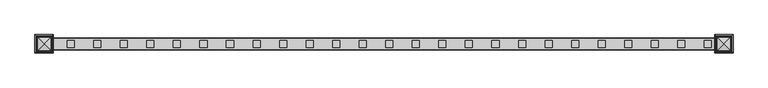
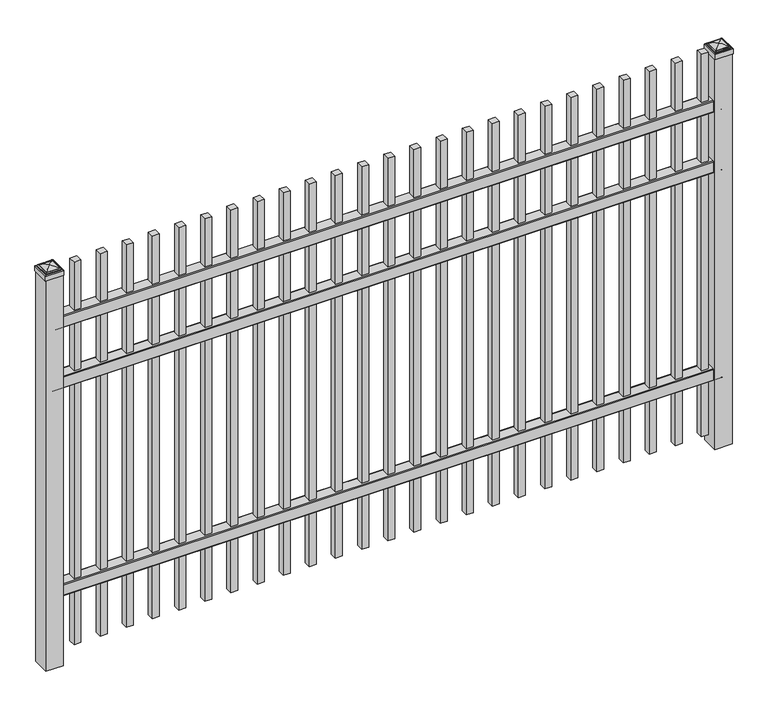
"""IFC4 building model written with IfcOpenShell, lengths in millimetres: railing geometry."""

from ifc_helpers import new_model, si_unit, point, frame, frame_2d, origin, origin_with_axes, place, context, project, spatial, polyline, circle_curve, ellipse_curve, trimmed, segment, composite_curve, outline, extrude, source, transform, mapped, element, save
from ifc_brep_helpers import plane_surface, cylinder_surface, advanced_brep


def railing_4748e7da(model_context):
    return source(origin(), model_context, "Body", "SolidModel", [
        extrude(outline(composite_curve([segment(polyline([(11873.9139761, 304.8), (11911.969541, 304.8)]), True, "CONTINUOUS"), segment(trimmed(circle_curve(frame_2d((11911.969541, 301.625)), 3.175), [point((11911.969541, 304.8))], [point((11915.144541, 301.625))], False, "CARTESIAN"), True, "CONTINUOUS"), segment(polyline([(11915.144541, 301.625), (11915.144541, 262.1439893)]), True, "CONTINUOUS"), segment(trimmed(circle_curve(frame_2d((11913.3505518, 262.1439893)), 1.7939893), [point((11915.144541, 262.1439893))], [point((11913.3505518, 260.35))], False, "CARTESIAN"), True, "CONTINUOUS"), segment(polyline([(11913.3505518, 260.35), (11910.7590713, 260.35)]), True, "CONTINUOUS"), segment(trimmed(circle_curve(frame_2d((11910.7590713, 262.1359375)), 1.7859375), [point((11910.7590713, 260.35))], [point((11908.9755813, 262.0424688))], False, "CARTESIAN"), True, "CONTINUOUS"), segment(polyline([(11908.9755813, 262.0424688), (11907.4025867, 292.0569942), (11878.4364954, 292.0569942), (11876.8635007, 262.0424688)]), True, "CONTINUOUS"), segment(trimmed(circle_curve(frame_2d((11875.0800108, 262.1359375)), 1.7859375), [point((11876.8635007, 262.0424688))], [point((11875.0800108, 260.35))], False, "CARTESIAN"), True, "CONTINUOUS"), segment(polyline([(11875.0800108, 260.35), (11872.4804785, 260.35)]), True, "CONTINUOUS"), segment(trimmed(circle_curve(frame_2d((11872.4804785, 262.1359375)), 1.7859375), [point((11872.4804785, 260.35))], [point((11870.694541, 262.1359375))], False, "CARTESIAN"), True, "CONTINUOUS"), segment(polyline([(11870.694541, 262.1359375), (11870.694541, 301.5805649)]), True, "CONTINUOUS"), segment(trimmed(circle_curve(frame_2d((11873.9139761, 301.5805649)), 3.2194351), [point((11870.694541, 301.5805649))], [point((11873.9139761, 304.8))], False, "CARTESIAN"), True, "CONTINUOUS")], self_intersect=False)), frame((6913.3350064, 0.0, 0.0), z_axis=(1.0, 0.0, 0.0), x_axis=(0.0, 1.0, 0.0)), (0.0, 0.0, 1.0), 2438.4),
        extrude(outline(composite_curve([segment(polyline([(11873.9139761, 1104.9), (11911.969541, 1104.9)]), True, "CONTINUOUS"), segment(trimmed(circle_curve(frame_2d((11911.969541, 1101.725)), 3.175), [point((11911.969541, 1104.9))], [point((11915.144541, 1101.725))], False, "CARTESIAN"), True, "CONTINUOUS"), segment(polyline([(11915.144541, 1101.725), (11915.144541, 1062.2439893)]), True, "CONTINUOUS"), segment(trimmed(circle_curve(frame_2d((11913.3505518, 1062.2439893)), 1.7939893), [point((11915.144541, 1062.2439893))], [point((11913.3505518, 1060.45))], False, "CARTESIAN"), True, "CONTINUOUS"), segment(polyline([(11913.3505518, 1060.45), (11910.7590713, 1060.45)]), True, "CONTINUOUS"), segment(trimmed(circle_curve(frame_2d((11910.7590713, 1062.2359375)), 1.7859375), [point((11910.7590713, 1060.45))], [point((11908.9755813, 1062.1424688))], False, "CARTESIAN"), True, "CONTINUOUS"), segment(polyline([(11908.9755813, 1062.1424688), (11907.4025867, 1092.1569942), (11878.4364954, 1092.1569942), (11876.8635007, 1062.1424688)]), True, "CONTINUOUS"), segment(trimmed(circle_curve(frame_2d((11875.0800108, 1062.2359375)), 1.7859375), [point((11876.8635007, 1062.1424688))], [point((11875.0800108, 1060.45))], False, "CARTESIAN"), True, "CONTINUOUS"), segment(polyline([(11875.0800108, 1060.45), (11872.4804785, 1060.45)]), True, "CONTINUOUS"), segment(trimmed(circle_curve(frame_2d((11872.4804785, 1062.2359375)), 1.7859375), [point((11872.4804785, 1060.45))], [point((11870.694541, 1062.2359375))], False, "CARTESIAN"), True, "CONTINUOUS"), segment(polyline([(11870.694541, 1062.2359375), (11870.694541, 1101.6805649)]), True, "CONTINUOUS"), segment(trimmed(circle_curve(frame_2d((11873.9139761, 1101.6805649)), 3.2194351), [point((11870.694541, 1101.6805649))], [point((11873.9139761, 1104.9))], False, "CARTESIAN"), True, "CONTINUOUS")], self_intersect=False)), frame((6913.3350064, 0.0, 0.0), z_axis=(1.0, 0.0, 0.0), x_axis=(0.0, 1.0, 0.0)), (0.0, 0.0, 1.0), 2438.4),
        extrude(outline(composite_curve([segment(polyline([(11873.9139761, 1338.2625), (11911.969541, 1338.2625)]), True, "CONTINUOUS"), segment(trimmed(circle_curve(frame_2d((11911.969541, 1335.0875)), 3.175), [point((11911.969541, 1338.2625))], [point((11915.144541, 1335.0875))], False, "CARTESIAN"), True, "CONTINUOUS"), segment(polyline([(11915.144541, 1335.0875), (11915.144541, 1295.6064893)]), True, "CONTINUOUS"), segment(trimmed(circle_curve(frame_2d((11913.3505518, 1295.6064893)), 1.7939893), [point((11915.144541, 1295.6064893))], [point((11913.3505518, 1293.8125))], False, "CARTESIAN"), True, "CONTINUOUS"), segment(polyline([(11913.3505518, 1293.8125), (11910.7590713, 1293.8125)]), True, "CONTINUOUS"), segment(trimmed(circle_curve(frame_2d((11910.7590713, 1295.5984375)), 1.7859375), [point((11910.7590713, 1293.8125))], [point((11908.9755813, 1295.5049688))], False, "CARTESIAN"), True, "CONTINUOUS"), segment(polyline([(11908.9755813, 1295.5049688), (11907.4025867, 1325.5194942), (11878.4364954, 1325.5194942), (11876.8635007, 1295.5049688)]), True, "CONTINUOUS"), segment(trimmed(circle_curve(frame_2d((11875.0800108, 1295.5984375)), 1.7859375), [point((11876.8635007, 1295.5049688))], [point((11875.0800108, 1293.8125))], False, "CARTESIAN"), True, "CONTINUOUS"), segment(polyline([(11875.0800108, 1293.8125), (11872.4804785, 1293.8125)]), True, "CONTINUOUS"), segment(trimmed(circle_curve(frame_2d((11872.4804785, 1295.5984375)), 1.7859375), [point((11872.4804785, 1293.8125))], [point((11870.694541, 1295.5984375))], False, "CARTESIAN"), True, "CONTINUOUS"), segment(polyline([(11870.694541, 1295.5984375), (11870.694541, 1335.0430649)]), True, "CONTINUOUS"), segment(trimmed(circle_curve(frame_2d((11873.9139761, 1335.0430649)), 3.2194351), [point((11870.694541, 1335.0430649))], [point((11873.9139761, 1338.2625))], False, "CARTESIAN"), True, "CONTINUOUS")], self_intersect=False)), frame((6913.3350064, 0.0, 0.0), z_axis=(1.0, 0.0, 0.0), x_axis=(0.0, 1.0, 0.0)), (0.0, 0.0, 1.0), 2438.4),
        extrude(outline(polyline([(9281.8850064, 11905.619541), (9307.2850064, 11905.619541), (9307.2850064, 11880.219541), (9281.8850064, 11880.219541), (9281.8850064, 11905.619541)])), frame((0.0, 0.0, 50.8), z_axis=(0.0, 0.0, 1.0), x_axis=(1.0, 0.0, 0.0)), (0.0, 0.0, 1.0), 1473.2),
        extrude(outline(polyline([(9186.6350064, 11905.619541), (9212.0350064, 11905.619541), (9212.0350064, 11880.219541), (9186.6350064, 11880.219541), (9186.6350064, 11905.619541)])), frame((0.0, 0.0, 50.8), z_axis=(0.0, 0.0, 1.0), x_axis=(1.0, 0.0, 0.0)), (0.0, 0.0, 1.0), 1473.2),
        extrude(outline(polyline([(9091.3850064, 11905.619541), (9116.7850064, 11905.619541), (9116.7850064, 11880.219541), (9091.3850064, 11880.219541), (9091.3850064, 11905.619541)])), frame((0.0, 0.0, 50.8), z_axis=(0.0, 0.0, 1.0), x_axis=(1.0, 0.0, 0.0)), (0.0, 0.0, 1.0), 1473.2),
        extrude(outline(polyline([(8996.1350064, 11905.619541), (9021.5350064, 11905.619541), (9021.5350064, 11880.219541), (8996.1350064, 11880.219541), (8996.1350064, 11905.619541)])), frame((0.0, 0.0, 50.8), z_axis=(0.0, 0.0, 1.0), x_axis=(1.0, 0.0, 0.0)), (0.0, 0.0, 1.0), 1473.2),
        extrude(outline(polyline([(8900.8850064, 11905.619541), (8926.2850064, 11905.619541), (8926.2850064, 11880.219541), (8900.8850064, 11880.219541), (8900.8850064, 11905.619541)])), frame((0.0, 0.0, 50.8), z_axis=(0.0, 0.0, 1.0), x_axis=(1.0, 0.0, 0.0)), (0.0, 0.0, 1.0), 1473.2),
        extrude(outline(polyline([(8805.6350064, 11905.619541), (8831.0350064, 11905.619541), (8831.0350064, 11880.219541), (8805.6350064, 11880.219541), (8805.6350064, 11905.619541)])), frame((0.0, 0.0, 50.8), z_axis=(0.0, 0.0, 1.0), x_axis=(1.0, 0.0, 0.0)), (0.0, 0.0, 1.0), 1473.2),
        extrude(outline(polyline([(8710.3850064, 11905.619541), (8735.7850064, 11905.619541), (8735.7850064, 11880.219541), (8710.3850064, 11880.219541), (8710.3850064, 11905.619541)])), frame((0.0, 0.0, 50.8), z_axis=(0.0, 0.0, 1.0), x_axis=(1.0, 0.0, 0.0)), (0.0, 0.0, 1.0), 1473.2),
        extrude(outline(polyline([(8615.1350064, 11905.619541), (8640.5350064, 11905.619541), (8640.5350064, 11880.219541), (8615.1350064, 11880.219541), (8615.1350064, 11905.619541)])), frame((0.0, 0.0, 50.8), z_axis=(0.0, 0.0, 1.0), x_axis=(1.0, 0.0, 0.0)), (0.0, 0.0, 1.0), 1473.2),
        extrude(outline(polyline([(8519.8850064, 11905.619541), (8545.2850064, 11905.619541), (8545.2850064, 11880.219541), (8519.8850064, 11880.219541), (8519.8850064, 11905.619541)])), frame((0.0, 0.0, 50.8), z_axis=(0.0, 0.0, 1.0), x_axis=(1.0, 0.0, 0.0)), (0.0, 0.0, 1.0), 1473.2),
        extrude(outline(polyline([(8424.6350064, 11905.619541), (8450.0350064, 11905.619541), (8450.0350064, 11880.219541), (8424.6350064, 11880.219541), (8424.6350064, 11905.619541)])), frame((0.0, 0.0, 50.8), z_axis=(0.0, 0.0, 1.0), x_axis=(1.0, 0.0, 0.0)), (0.0, 0.0, 1.0), 1473.2),
        extrude(outline(polyline([(8329.3850064, 11905.619541), (8354.7850064, 11905.619541), (8354.7850064, 11880.219541), (8329.3850064, 11880.219541), (8329.3850064, 11905.619541)])), frame((0.0, 0.0, 50.8), z_axis=(0.0, 0.0, 1.0), x_axis=(1.0, 0.0, 0.0)), (0.0, 0.0, 1.0), 1473.2),
        extrude(outline(polyline([(8234.1350064, 11905.619541), (8259.5350064, 11905.619541), (8259.5350064, 11880.219541), (8234.1350064, 11880.219541), (8234.1350064, 11905.619541)])), frame((0.0, 0.0, 50.8), z_axis=(0.0, 0.0, 1.0), x_axis=(1.0, 0.0, 0.0)), (0.0, 0.0, 1.0), 1473.2),
        extrude(outline(polyline([(8138.8850064, 11905.619541), (8164.2850064, 11905.619541), (8164.2850064, 11880.219541), (8138.8850064, 11880.219541), (8138.8850064, 11905.619541)])), frame((0.0, 0.0, 50.8), z_axis=(0.0, 0.0, 1.0), x_axis=(1.0, 0.0, 0.0)), (0.0, 0.0, 1.0), 1473.2),
        extrude(outline(polyline([(8043.6350064, 11905.619541), (8069.0350064, 11905.619541), (8069.0350064, 11880.219541), (8043.6350064, 11880.219541), (8043.6350064, 11905.619541)])), frame((0.0, 0.0, 50.8), z_axis=(0.0, 0.0, 1.0), x_axis=(1.0, 0.0, 0.0)), (0.0, 0.0, 1.0), 1473.2),
        extrude(outline(polyline([(7948.3850064, 11905.619541), (7973.7850064, 11905.619541), (7973.7850064, 11880.219541), (7948.3850064, 11880.219541), (7948.3850064, 11905.619541)])), frame((0.0, 0.0, 50.8), z_axis=(0.0, 0.0, 1.0), x_axis=(1.0, 0.0, 0.0)), (0.0, 0.0, 1.0), 1473.2),
        extrude(outline(polyline([(7853.1350064, 11905.619541), (7878.5350064, 11905.619541), (7878.5350064, 11880.219541), (7853.1350064, 11880.219541), (7853.1350064, 11905.619541)])), frame((0.0, 0.0, 50.8), z_axis=(0.0, 0.0, 1.0), x_axis=(1.0, 0.0, 0.0)), (0.0, 0.0, 1.0), 1473.2),
        extrude(outline(polyline([(7757.8850064, 11905.619541), (7783.2850064, 11905.619541), (7783.2850064, 11880.219541), (7757.8850064, 11880.219541), (7757.8850064, 11905.619541)])), frame((0.0, 0.0, 50.8), z_axis=(0.0, 0.0, 1.0), x_axis=(1.0, 0.0, 0.0)), (0.0, 0.0, 1.0), 1473.2),
        extrude(outline(polyline([(7662.6350064, 11905.619541), (7688.0350064, 11905.619541), (7688.0350064, 11880.219541), (7662.6350064, 11880.219541), (7662.6350064, 11905.619541)])), frame((0.0, 0.0, 50.8), z_axis=(0.0, 0.0, 1.0), x_axis=(1.0, 0.0, 0.0)), (0.0, 0.0, 1.0), 1473.2),
        extrude(outline(polyline([(7567.3850064, 11905.619541), (7592.7850064, 11905.619541), (7592.7850064, 11880.219541), (7567.3850064, 11880.219541), (7567.3850064, 11905.619541)])), frame((0.0, 0.0, 50.8), z_axis=(0.0, 0.0, 1.0), x_axis=(1.0, 0.0, 0.0)), (0.0, 0.0, 1.0), 1473.2),
        extrude(outline(polyline([(7472.1350064, 11905.619541), (7497.5350064, 11905.619541), (7497.5350064, 11880.219541), (7472.1350064, 11880.219541), (7472.1350064, 11905.619541)])), frame((0.0, 0.0, 50.8), z_axis=(0.0, 0.0, 1.0), x_axis=(1.0, 0.0, 0.0)), (0.0, 0.0, 1.0), 1473.2),
        extrude(outline(polyline([(7376.8850064, 11905.619541), (7402.2850064, 11905.619541), (7402.2850064, 11880.219541), (7376.8850064, 11880.219541), (7376.8850064, 11905.619541)])), frame((0.0, 0.0, 50.8), z_axis=(0.0, 0.0, 1.0), x_axis=(1.0, 0.0, 0.0)), (0.0, 0.0, 1.0), 1473.2),
        extrude(outline(polyline([(7281.6350064, 11905.619541), (7307.0350064, 11905.619541), (7307.0350064, 11880.219541), (7281.6350064, 11880.219541), (7281.6350064, 11905.619541)])), frame((0.0, 0.0, 50.8), z_axis=(0.0, 0.0, 1.0), x_axis=(1.0, 0.0, 0.0)), (0.0, 0.0, 1.0), 1473.2),
        extrude(outline(polyline([(7186.3850064, 11905.619541), (7211.7850064, 11905.619541), (7211.7850064, 11880.219541), (7186.3850064, 11880.219541), (7186.3850064, 11905.619541)])), frame((0.0, 0.0, 50.8), z_axis=(0.0, 0.0, 1.0), x_axis=(1.0, 0.0, 0.0)), (0.0, 0.0, 1.0), 1473.2),
        extrude(outline(polyline([(7091.1350064, 11905.619541), (7116.5350064, 11905.619541), (7116.5350064, 11880.219541), (7091.1350064, 11880.219541), (7091.1350064, 11905.619541)])), frame((0.0, 0.0, 50.8), z_axis=(0.0, 0.0, 1.0), x_axis=(1.0, 0.0, 0.0)), (0.0, 0.0, 1.0), 1473.2),
        extrude(outline(polyline([(6995.8850064, 11905.619541), (7021.2850064, 11905.619541), (7021.2850064, 11880.219541), (6995.8850064, 11880.219541), (6995.8850064, 11905.619541)])), frame((0.0, 0.0, 50.8), z_axis=(0.0, 0.0, 1.0), x_axis=(1.0, 0.0, 0.0)), (0.0, 0.0, 1.0), 1473.2),
        extrude(outline(polyline([(9383.4850064, 11924.669541), (9383.4850064, 11861.169541), (9319.9850064, 11861.169541), (9319.9850064, 11924.669541), (9383.4850064, 11924.669541)])), origin_with_axes(), (0.0, 0.0, 1.0), 1503.3625),
        advanced_brep(
        [(9318.3975064, 11926.257041, 1521.61875), (9318.3975064, 11926.257041, 1503.3625), (9318.3975064, 11859.582041, 1503.3625), (9318.3975064, 11859.582041, 1521.61875), (9320.7787564, 11923.875791, 1524.0), (9320.7787564, 11861.963291, 1524.0), (9323.1600064, 11921.494541, 1526.38125), (9323.1600064, 11921.494541, 1524.0), (9323.1600064, 11864.344541, 1524.0), (9323.1600064, 11864.344541, 1526.38125), (9325.5412564, 11919.113291, 1528.7625), (9325.5412564, 11866.725791, 1528.7625), (9351.7350064, 11892.919541, 1535.1125), (9327.9225064, 11916.732041, 1528.7625), (9327.9225064, 11869.107041, 1528.7625), (9385.0725064, 11859.582041, 1503.3625), (9385.0725064, 11859.582041, 1521.61875), (9382.6912564, 11861.963291, 1524.0), (9380.3100064, 11864.344541, 1524.0), (9380.3100064, 11864.344541, 1526.38125), (9377.9287564, 11866.725791, 1528.7625), (9375.5475064, 11869.107041, 1528.7625), (9385.0725064, 11926.257041, 1503.3625), (9385.0725064, 11926.257041, 1521.61875), (9382.6912564, 11923.875791, 1524.0), (9380.3100064, 11921.494541, 1524.0), (9380.3100064, 11921.494541, 1526.38125), (9377.9287564, 11919.113291, 1528.7625), (9375.5475064, 11916.732041, 1528.7625)],
        [
            (0, 1),
            (1, 2),
            (2, 3),
            (3, 0),
            (4, 0, ellipse_curve(frame((9320.7787564, 11923.875791, 1521.61875), z_axis=(-0.70710678118655, -0.7071067811865449, 0.0), x_axis=(-0.7071067811865448, 0.7071067811865501, 0.0)), 3.367596, 2.38125)),
            (3, 5, ellipse_curve(frame((9320.7787564, 11861.963291, 1521.61875), z_axis=(-0.7071067811865449, 0.70710678118655, 0.0), x_axis=(0.7071067811865499, 0.707106781186545, 0.0)), 3.367596, 2.38125)),
            (5, 4),
            (6, 7),
            (7, 8),
            (8, 9),
            (9, 6),
            (10, 6, ellipse_curve(frame((9325.5412564, 11919.113291, 1526.38125), z_axis=(-0.70710678118655, -0.7071067811865449, 0.0), x_axis=(-0.7071067811865448, 0.7071067811865501, 0.0)), 3.367596, 2.38125)),
            (9, 11, ellipse_curve(frame((9325.5412564, 11866.725791, 1526.38125), z_axis=(-0.7071067811865449, 0.70710678118655, 0.0), x_axis=(0.7071067811865499, 0.707106781186545, 0.0)), 3.367596, 2.38125)),
            (11, 10),
            (12, 13, ellipse_curve(frame((9351.7350064, 11892.919541, 1487.2890625), z_axis=(-0.70710678118655, -0.7071067811865449, 0.0), x_axis=(-0.7071067811865448, 0.7071067811865501, 0.0)), 67.6325539, 47.8234375)),
            (13, 14),
            (14, 12, ellipse_curve(frame((9351.7350064, 11892.919541, 1487.2890625), z_axis=(-0.7071067811865449, 0.70710678118655, 0.0), x_axis=(0.7071067811865499, 0.707106781186545, 0.0)), 67.6325539, 47.8234375)),
            (2, 15),
            (15, 16),
            (16, 3),
            (16, 17, ellipse_curve(frame((9382.6912564, 11861.963291, 1521.61875), z_axis=(-0.70710678118655, -0.707106781186545, 0.0), x_axis=(-0.707106781186545, 0.70710678118655, 0.0)), 3.367596, 2.38125)),
            (17, 5),
            (8, 18),
            (18, 19),
            (19, 9),
            (19, 20, ellipse_curve(frame((9377.9287564, 11866.725791, 1526.38125), z_axis=(-0.70710678118655, -0.707106781186545, 0.0), x_axis=(-0.707106781186545, 0.70710678118655, 0.0)), 3.367596, 2.38125)),
            (20, 11),
            (14, 21),
            (21, 12, ellipse_curve(frame((9351.7350064, 11892.919541, 1487.2890625), z_axis=(-0.70710678118655, -0.707106781186545, 0.0), x_axis=(-0.707106781186545, 0.70710678118655, 0.0)), 67.6325539, 47.8234375)),
            (15, 22),
            (22, 23),
            (23, 16),
            (23, 24, ellipse_curve(frame((9382.6912564, 11923.875791, 1521.61875), z_axis=(0.707106781186545, -0.7071067811865499, 0.0), x_axis=(-0.7071067811865497, -0.7071067811865452, 0.0)), 3.367596, 2.38125)),
            (24, 17),
            (18, 25),
            (25, 26),
            (26, 19),
            (26, 27, ellipse_curve(frame((9377.9287564, 11919.113291, 1526.38125), z_axis=(0.707106781186545, -0.7071067811865499, 0.0), x_axis=(-0.7071067811865497, -0.7071067811865452, 0.0)), 3.367596, 2.38125)),
            (27, 20),
            (21, 28),
            (28, 12, ellipse_curve(frame((9351.7350064, 11892.919541, 1487.2890625), z_axis=(0.707106781186545, -0.7071067811865499, 0.0), x_axis=(-0.7071067811865497, -0.7071067811865452, 0.0)), 67.6325539, 47.8234375)),
            (22, 1),
            (0, 23),
            (4, 24),
            (7, 25),
            (6, 26),
            (10, 27),
            (13, 28),
        ],
        [
            plane_surface(frame((9318.3975064, 11926.257041, 1503.3625), z_axis=(-1.0, 0.0, 0.0), x_axis=(0.0, -1.0, 0.0))),
            cylinder_surface(frame((9320.7787564, 11924.669541, 1521.61875), z_axis=(0.0, 1.0, 0.0), x_axis=(1.0, 0.0, 0.0)), 2.38125),
            plane_surface(frame((9323.1600064, 11921.494541, 1524.0), z_axis=(-1.0, 0.0, 0.0), x_axis=(0.0, -1.0, 0.0))),
            cylinder_surface(frame((9325.5412564, 11924.669541, 1526.38125), z_axis=(0.0, 1.0, 0.0), x_axis=(1.0, 0.0, 0.0)), 2.38125),
            cylinder_surface(frame((9351.7350064, 11924.669541, 1487.2890625), z_axis=(0.0, 1.0, 0.0), x_axis=(1.0, 0.0, 0.0)), 47.8234375),
            plane_surface(frame((9318.3975064, 11859.582041, 1503.3625), z_axis=(0.0, -1.0, 0.0), x_axis=(1.0, 0.0, 0.0))),
            cylinder_surface(frame((9319.9850064, 11861.963291, 1521.61875), z_axis=(-1.0, 0.0, 0.0), x_axis=(0.0, 1.0, 0.0)), 2.38125),
            plane_surface(frame((9323.1600064, 11864.344541, 1524.0), z_axis=(0.0, -1.0, 0.0), x_axis=(1.0, 0.0, 0.0))),
            cylinder_surface(frame((9319.9850064, 11866.725791, 1526.38125), z_axis=(-1.0, 0.0, 0.0), x_axis=(0.0, 1.0, 0.0)), 2.38125),
            cylinder_surface(frame((9319.9850064, 11892.919541, 1487.2890625), z_axis=(-1.0, 0.0, 0.0), x_axis=(0.0, 1.0, 0.0)), 47.8234375),
            plane_surface(frame((9385.0725064, 11859.582041, 1503.3625), z_axis=(1.0, 0.0, 0.0), x_axis=(0.0, 1.0, 0.0))),
            cylinder_surface(frame((9382.6912564, 11861.169541, 1521.61875), z_axis=(0.0, -1.0, 0.0), x_axis=(-1.0, 0.0, 0.0)), 2.38125),
            plane_surface(frame((9380.3100064, 11864.344541, 1524.0), z_axis=(1.0, 0.0, 0.0), x_axis=(0.0, 1.0, 0.0))),
            cylinder_surface(frame((9377.9287564, 11861.169541, 1526.38125), z_axis=(0.0, -1.0, 0.0), x_axis=(-1.0, 0.0, 0.0)), 2.38125),
            cylinder_surface(frame((9351.7350064, 11861.169541, 1487.2890625), z_axis=(0.0, -1.0, 0.0), x_axis=(-1.0, 0.0, 0.0)), 47.8234375),
            plane_surface(frame((9385.0725064, 11926.257041, 1503.3625), z_axis=(0.0, 1.0, 0.0), x_axis=(-1.0, 0.0, 0.0))),
            cylinder_surface(frame((9383.4850064, 11923.875791, 1521.61875), z_axis=(1.0, 0.0, 0.0), x_axis=(0.0, -1.0, 0.0)), 2.38125),
            plane_surface(frame((9382.6912564, 11923.875791, 1524.0), z_axis=(0.0, 0.0, 1.0), x_axis=(-1.0, 0.0, 0.0))),
            plane_surface(frame((9380.3100064, 11921.494541, 1524.0), z_axis=(0.0, 1.0, 0.0), x_axis=(-1.0, 0.0, 0.0))),
            cylinder_surface(frame((9383.4850064, 11919.113291, 1526.38125), z_axis=(1.0, 0.0, 0.0), x_axis=(0.0, -1.0, 0.0)), 2.38125),
            plane_surface(frame((9377.9287564, 11919.113291, 1528.7625), z_axis=(0.0, 0.0, 1.0), x_axis=(-1.0, 0.0, 0.0))),
            cylinder_surface(frame((9383.4850064, 11892.919541, 1487.2890625), z_axis=(1.0, 0.0, 0.0), x_axis=(0.0, -1.0, 0.0)), 47.8234375),
            plane_surface(frame((9351.7350064, 11892.919541, 1503.3625), z_axis=(0.0, 0.0, -1.0), x_axis=(-1.0, 0.0, 0.0))),
        ],
        [
            (0, [[1, 2, 3, 4]]),
            (1, [[5, -4, 6, 7]]),
            (2, [[8, 9, 10, 11]]),
            (3, [[12, -11, 13, 14]]),
            (4, [[15, 16, 17]]),
            (5, [[-3, 18, 19, 20]]),
            (6, [[-6, -20, 21, 22]]),
            (7, [[-10, 23, 24, 25]]),
            (8, [[-13, -25, 26, 27]]),
            (9, [[-17, 28, 29]]),
            (10, [[-19, 30, 31, 32]]),
            (11, [[-21, -32, 33, 34]]),
            (12, [[-24, 35, 36, 37]]),
            (13, [[-26, -37, 38, 39]]),
            (14, [[-29, 40, 41]]),
            (15, [[-31, 42, -1, 43]]),
            (16, [[-33, -43, -5, 44]]),
            (17, [[-22, -34, -44, -7], [45, -35, -23, -9]]),
            (18, [[-36, -45, -8, 46]]),
            (19, [[-38, -46, -12, 47]]),
            (20, [[-27, -39, -47, -14], [48, -40, -28, -16]]),
            (21, [[-41, -48, -15]]),
            (22, [[-42, -30, -18, -2]]),
        ],
    ),
        extrude(outline(polyline([(6945.0850064, 11924.669541), (6945.0850064, 11861.169541), (6881.5850064, 11861.169541), (6881.5850064, 11924.669541), (6945.0850064, 11924.669541)])), origin_with_axes(), (0.0, 0.0, 1.0), 1503.3625),
        advanced_brep(
        [(6879.9975064, 11926.257041, 1521.61875), (6879.9975064, 11926.257041, 1503.3625), (6879.9975064, 11859.582041, 1503.3625), (6879.9975064, 11859.582041, 1521.61875), (6882.3787564, 11923.875791, 1524.0), (6882.3787564, 11861.963291, 1524.0), (6884.7600064, 11921.494541, 1526.38125), (6884.7600064, 11921.494541, 1524.0), (6884.7600064, 11864.344541, 1524.0), (6884.7600064, 11864.344541, 1526.38125), (6887.1412564, 11919.113291, 1528.7625), (6887.1412564, 11866.725791, 1528.7625), (6913.3350064, 11892.919541, 1535.1125), (6889.5225064, 11916.732041, 1528.7625), (6889.5225064, 11869.107041, 1528.7625), (6946.6725064, 11859.582041, 1503.3625), (6946.6725064, 11859.582041, 1521.61875), (6944.2912564, 11861.963291, 1524.0), (6941.9100064, 11864.344541, 1524.0), (6941.9100064, 11864.344541, 1526.38125), (6939.5287564, 11866.725791, 1528.7625), (6937.1475064, 11869.107041, 1528.7625), (6946.6725064, 11926.257041, 1503.3625), (6946.6725064, 11926.257041, 1521.61875), (6944.2912564, 11923.875791, 1524.0), (6941.9100064, 11921.494541, 1524.0), (6941.9100064, 11921.494541, 1526.38125), (6939.5287564, 11919.113291, 1528.7625), (6937.1475064, 11916.732041, 1528.7625)],
        [
            (0, 1),
            (1, 2),
            (2, 3),
            (3, 0),
            (4, 0, ellipse_curve(frame((6882.3787564, 11923.875791, 1521.61875), z_axis=(-0.70710678118655, -0.7071067811865449, 0.0), x_axis=(-0.7071067811865448, 0.7071067811865501, 0.0)), 3.367596, 2.38125)),
            (3, 5, ellipse_curve(frame((6882.3787564, 11861.963291, 1521.61875), z_axis=(-0.7071067811865449, 0.70710678118655, 0.0), x_axis=(0.7071067811865499, 0.707106781186545, 0.0)), 3.367596, 2.38125)),
            (5, 4),
            (6, 7),
            (7, 8),
            (8, 9),
            (9, 6),
            (10, 6, ellipse_curve(frame((6887.1412564, 11919.113291, 1526.38125), z_axis=(-0.70710678118655, -0.7071067811865449, 0.0), x_axis=(-0.7071067811865448, 0.7071067811865501, 0.0)), 3.367596, 2.38125)),
            (9, 11, ellipse_curve(frame((6887.1412564, 11866.725791, 1526.38125), z_axis=(-0.7071067811865449, 0.70710678118655, 0.0), x_axis=(0.7071067811865499, 0.707106781186545, 0.0)), 3.367596, 2.38125)),
            (11, 10),
            (12, 13, ellipse_curve(frame((6913.3350064, 11892.919541, 1487.2890625), z_axis=(-0.70710678118655, -0.7071067811865449, 0.0), x_axis=(-0.7071067811865448, 0.7071067811865501, 0.0)), 67.6325539, 47.8234375)),
            (13, 14),
            (14, 12, ellipse_curve(frame((6913.3350064, 11892.919541, 1487.2890625), z_axis=(-0.7071067811865449, 0.70710678118655, 0.0), x_axis=(0.7071067811865499, 0.707106781186545, 0.0)), 67.6325539, 47.8234375)),
            (2, 15),
            (15, 16),
            (16, 3),
            (16, 17, ellipse_curve(frame((6944.2912564, 11861.963291, 1521.61875), z_axis=(-0.70710678118655, -0.707106781186545, 0.0), x_axis=(-0.707106781186545, 0.70710678118655, 0.0)), 3.367596, 2.38125)),
            (17, 5),
            (8, 18),
            (18, 19),
            (19, 9),
            (19, 20, ellipse_curve(frame((6939.5287564, 11866.725791, 1526.38125), z_axis=(-0.70710678118655, -0.707106781186545, 0.0), x_axis=(-0.707106781186545, 0.70710678118655, 0.0)), 3.367596, 2.38125)),
            (20, 11),
            (14, 21),
            (21, 12, ellipse_curve(frame((6913.3350064, 11892.919541, 1487.2890625), z_axis=(-0.70710678118655, -0.707106781186545, 0.0), x_axis=(-0.707106781186545, 0.70710678118655, 0.0)), 67.6325539, 47.8234375)),
            (15, 22),
            (22, 23),
            (23, 16),
            (23, 24, ellipse_curve(frame((6944.2912564, 11923.875791, 1521.61875), z_axis=(0.707106781186545, -0.7071067811865499, 0.0), x_axis=(-0.7071067811865497, -0.7071067811865452, 0.0)), 3.367596, 2.38125)),
            (24, 17),
            (18, 25),
            (25, 26),
            (26, 19),
            (26, 27, ellipse_curve(frame((6939.5287564, 11919.113291, 1526.38125), z_axis=(0.707106781186545, -0.7071067811865499, 0.0), x_axis=(-0.7071067811865497, -0.7071067811865452, 0.0)), 3.367596, 2.38125)),
            (27, 20),
            (21, 28),
            (28, 12, ellipse_curve(frame((6913.3350064, 11892.919541, 1487.2890625), z_axis=(0.707106781186545, -0.7071067811865499, 0.0), x_axis=(-0.7071067811865497, -0.7071067811865452, 0.0)), 67.6325539, 47.8234375)),
            (22, 1),
            (0, 23),
            (4, 24),
            (7, 25),
            (6, 26),
            (10, 27),
            (13, 28),
        ],
        [
            plane_surface(frame((6879.9975064, 11926.257041, 1503.3625), z_axis=(-1.0, 0.0, 0.0), x_axis=(0.0, -1.0, 0.0))),
            cylinder_surface(frame((6882.3787564, 11924.669541, 1521.61875), z_axis=(0.0, 1.0, 0.0), x_axis=(1.0, 0.0, 0.0)), 2.38125),
            plane_surface(frame((6884.7600064, 11921.494541, 1524.0), z_axis=(-1.0, 0.0, 0.0), x_axis=(0.0, -1.0, 0.0))),
            cylinder_surface(frame((6887.1412564, 11924.669541, 1526.38125), z_axis=(0.0, 1.0, 0.0), x_axis=(1.0, 0.0, 0.0)), 2.38125),
            cylinder_surface(frame((6913.3350064, 11924.669541, 1487.2890625), z_axis=(0.0, 1.0, 0.0), x_axis=(1.0, 0.0, 0.0)), 47.8234375),
            plane_surface(frame((6879.9975064, 11859.582041, 1503.3625), z_axis=(0.0, -1.0, 0.0), x_axis=(1.0, 0.0, 0.0))),
            cylinder_surface(frame((6881.5850064, 11861.963291, 1521.61875), z_axis=(-1.0, 0.0, 0.0), x_axis=(0.0, 1.0, 0.0)), 2.38125),
            plane_surface(frame((6884.7600064, 11864.344541, 1524.0), z_axis=(0.0, -1.0, 0.0), x_axis=(1.0, 0.0, 0.0))),
            cylinder_surface(frame((6881.5850064, 11866.725791, 1526.38125), z_axis=(-1.0, 0.0, 0.0), x_axis=(0.0, 1.0, 0.0)), 2.38125),
            cylinder_surface(frame((6881.5850064, 11892.919541, 1487.2890625), z_axis=(-1.0, 0.0, 0.0), x_axis=(0.0, 1.0, 0.0)), 47.8234375),
            plane_surface(frame((6946.6725064, 11859.582041, 1503.3625), z_axis=(1.0, 0.0, 0.0), x_axis=(0.0, 1.0, 0.0))),
            cylinder_surface(frame((6944.2912564, 11861.169541, 1521.61875), z_axis=(0.0, -1.0, 0.0), x_axis=(-1.0, 0.0, 0.0)), 2.38125),
            plane_surface(frame((6941.9100064, 11864.344541, 1524.0), z_axis=(1.0, 0.0, 0.0), x_axis=(0.0, 1.0, 0.0))),
            cylinder_surface(frame((6939.5287564, 11861.169541, 1526.38125), z_axis=(0.0, -1.0, 0.0), x_axis=(-1.0, 0.0, 0.0)), 2.38125),
            cylinder_surface(frame((6913.3350064, 11861.169541, 1487.2890625), z_axis=(0.0, -1.0, 0.0), x_axis=(-1.0, 0.0, 0.0)), 47.8234375),
            plane_surface(frame((6946.6725064, 11926.257041, 1503.3625), z_axis=(0.0, 1.0, 0.0), x_axis=(-1.0, 0.0, 0.0))),
            cylinder_surface(frame((6945.0850064, 11923.875791, 1521.61875), z_axis=(1.0, 0.0, 0.0), x_axis=(0.0, -1.0, 0.0)), 2.38125),
            plane_surface(frame((6944.2912564, 11923.875791, 1524.0), z_axis=(0.0, 0.0, 1.0), x_axis=(-1.0, 0.0, 0.0))),
            plane_surface(frame((6941.9100064, 11921.494541, 1524.0), z_axis=(0.0, 1.0, 0.0), x_axis=(-1.0, 0.0, 0.0))),
            cylinder_surface(frame((6945.0850064, 11919.113291, 1526.38125), z_axis=(1.0, 0.0, 0.0), x_axis=(0.0, -1.0, 0.0)), 2.38125),
            plane_surface(frame((6939.5287564, 11919.113291, 1528.7625), z_axis=(0.0, 0.0, 1.0), x_axis=(-1.0, 0.0, 0.0))),
            cylinder_surface(frame((6945.0850064, 11892.919541, 1487.2890625), z_axis=(1.0, 0.0, 0.0), x_axis=(0.0, -1.0, 0.0)), 47.8234375),
            plane_surface(frame((6913.3350064, 11892.919541, 1503.3625), z_axis=(0.0, 0.0, -1.0), x_axis=(-1.0, 0.0, 0.0))),
        ],
        [
            (0, [[1, 2, 3, 4]]),
            (1, [[5, -4, 6, 7]]),
            (2, [[8, 9, 10, 11]]),
            (3, [[12, -11, 13, 14]]),
            (4, [[15, 16, 17]]),
            (5, [[-3, 18, 19, 20]]),
            (6, [[-6, -20, 21, 22]]),
            (7, [[-10, 23, 24, 25]]),
            (8, [[-13, -25, 26, 27]]),
            (9, [[-17, 28, 29]]),
            (10, [[-19, 30, 31, 32]]),
            (11, [[-21, -32, 33, 34]]),
            (12, [[-24, 35, 36, 37]]),
            (13, [[-26, -37, 38, 39]]),
            (14, [[-29, 40, 41]]),
            (15, [[-31, 42, -1, 43]]),
            (16, [[-33, -43, -5, 44]]),
            (17, [[-22, -34, -44, -7], [45, -35, -23, -9]]),
            (18, [[-36, -45, -8, 46]]),
            (19, [[-38, -46, -12, 47]]),
            (20, [[-27, -39, -47, -14], [48, -40, -28, -16]]),
            (21, [[-41, -48, -15]]),
            (22, [[-42, -30, -18, -2]]),
        ],
    ),
    ])


if __name__ == "__main__":
    model = new_model("IFC4")
    model_context = context("Model", 3, world=origin())
    ifc_project = project(units=[si_unit("LENGTHUNIT", "METRE", prefix="MILLI")], contexts=[model_context])
    site = spatial("IfcSite", under=ifc_project)
    building = spatial("IfcBuilding", under=site)
    placement = place(None, origin())
    railing_shape = railing_4748e7da(model_context)
    element("IfcRailing", 1, at=placement, inside=building, context=model_context, shape_type="MappedRepresentation", body=[
        mapped(railing_shape, transform((0.0, 0.0, 0.0), x_axis=(1.0, 0.0, 0.0), y_axis=(0.0, 1.0, 0.0), z_axis=(0.0, 0.0, 1.0))),
    ])
    save(model, "model.ifc")
